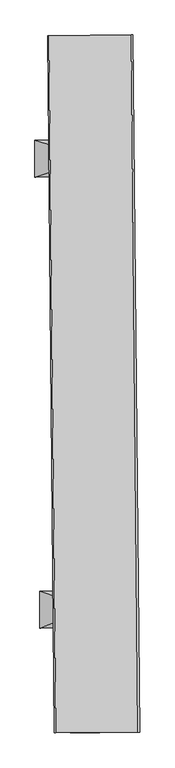
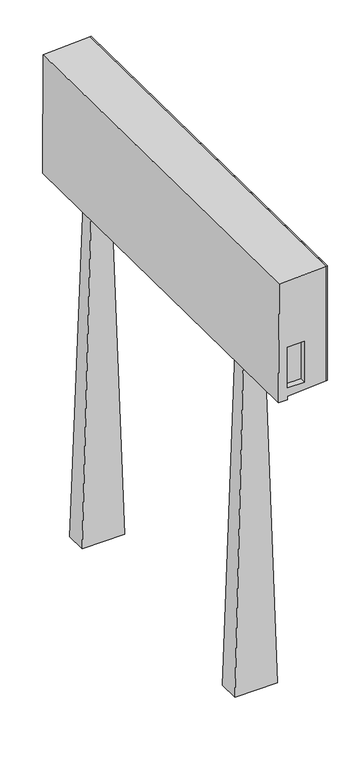
"""IFC4 building model written with IfcOpenShell, lengths in millimetres: proxy geometry."""

from ifc_helpers import new_model, si_unit, frame, origin, place, context, project, spatial, polyline, outline, extrude, faceted_brep, source, transform, mapped, element, save


def generic_models_3430a6ff(model_context):
    return source(origin(), model_context, "Body", "SolidModel", [
        extrude(outline(polyline([(-135389.3273632, 61542.0392085), (-135206.8030486, 42996.6832624), (-135255.9990259, 42996.1990731), (-135438.5233405, 61541.5550193), (-135389.3273632, 61542.0392085)])), frame((0.0, 0.0, 13768.0), z_axis=(0.0, 0.0, 1.0), x_axis=(1.0, 0.0, 0.0)), (0.0, 0.0, 1.0), 5585.8285556),
        extrude(outline(polyline([(-136271.3291346, 43263.7776374), (-137064.3547926, 43255.9726395), (-137064.6545299, 43286.4273997), (-136271.6288718, 43294.2323976), (-136271.3291346, 43263.7776374)])), frame((0.0, 0.0, 14064.8403987), z_axis=(0.0, 0.0, 1.0), x_axis=(1.0, 0.0, 0.0)), (0.0, 0.0, 1.0), 1991.1596013),
        faceted_brep([(-137475.8455637, 42974.3512332, 13495.6058115), (-137055.8659041, 42978.4846939, 13495.6058115), (-137055.8659041, 42978.4846939, 13655.6058115), (-135255.9990259, 42996.1990731, 13768.0), (-135255.9990259, 42996.1990731, 19353.8285556), (-137441.2124034, 42974.6920945, 19239.3008287), (-136268.5975267, 42986.2330284, 16056.0), (-136268.5975267, 42986.2330284, 14064.8403987), (-137061.6231848, 42978.4280304, 14064.8403987), (-137061.6231848, 42978.4280304, 16056.0), (-137658.3698783, 61519.7071794, 13495.6058115), (-137623.736718, 61520.0480406, 19239.3008287), (-135438.5233405, 61541.5550193, 19353.8285556), (-135438.5233405, 61541.5550193, 13768.0), (-137238.3902187, 61523.84064, 13655.6058115), (-137238.3902187, 61523.84064, 13495.6058115), (-137175.45363, 43285.3369094, 14064.8403987), (-137146.0036119, 43285.626758, 18948.9434097), (-135559.0158422, 43301.2459704, 19032.1179426), (-135559.0158422, 43301.2459704, 14064.8403987), (-136271.6288718, 43294.2323976, 14064.8403987), (-136271.6288718, 43294.2323976, 16056.0), (-137064.6545299, 43286.4273997, 16056.0), (-137064.6545299, 43286.4273997, 14064.8403987), (-137351.7324267, 61196.1179279, 14064.8403987), (-135735.2946388, 61212.026989, 14064.8403987), (-135735.2946388, 61212.026989, 19032.1179426), (-137322.2824085, 61196.4077765, 18948.9434097)], [[[0, 1, 2, 3, 4, 5], [6, 7, 8, 9]], [[10, 11, 12, 13, 14, 15]], [[1, 0, 10, 15]], [[2, 1, 15, 14]], [[3, 2, 14, 13]], [[4, 3, 13, 12]], [[5, 4, 12, 11]], [[0, 5, 11, 10]], [[16, 17, 18, 19, 20, 21, 22, 23]], [[24, 25, 26, 27]], [[25, 24, 16, 23, 8, 7, 20, 19]], [[19, 18, 26, 25]], [[18, 17, 27, 26]], [[17, 16, 24, 27]], [[6, 21, 20, 7]], [[8, 23, 22, 9]], [[21, 6, 9, 22]]]),
        faceted_brep([(-137482.2126613, 58581.905313, 13764.8403987), (-137482.2126613, 57931.8414639, 13764.8403987), (-135442.7977552, 57962.103347, 13764.8403987), (-135452.4416122, 58612.0240956, 13764.8403987), (-137482.2126613, 58581.905313, 13452.7544314), (-136532.3227339, 58596.0002663, 13452.7544314), (-136522.6788769, 57946.0795177, 13452.7544314), (-137482.2126613, 57931.8414639, 13452.7544314)], [[[0, 1, 2, 3]], [[4, 5, 6, 7]], [[4, 7, 1, 0]], [[7, 6, 2, 1]], [[6, 5, 3, 2]], [[5, 4, 0, 3]]]),
        faceted_brep([(-137390.0649453, 46590.1775298, 13792.4496973), (-137390.0649453, 45940.1136807, 13792.4496973), (-135355.6423343, 45970.3014856, 13792.4496973), (-135365.2861913, 46620.2222342, 13792.4496973), (-137390.0649453, 46590.1775298, 13478.5915206), (-136390.1750178, 46605.0144088, 13478.5915206), (-136380.5311608, 45955.0936602, 13478.5915206), (-137390.0649453, 45940.1136807, 13478.5915206)], [[[0, 1, 2, 3]], [[4, 5, 6, 7]], [[4, 7, 1, 0]], [[7, 6, 2, 1]], [[6, 5, 3, 2]], [[5, 4, 0, 3]]]),
        faceted_brep([(-137482.2126613, 57931.8414639, 13699.8170724), (-136522.6788769, 57946.0795177, 13699.8170724), (-136532.3227339, 58596.0002663, 13699.8170724), (-137482.2126613, 58581.905313, 13699.8170724), (-137995.5723666, 57764.0513658, -2420.5), (-137995.5723666, 58744.0513658, -2420.5), (-136037.8803341, 58773.1006031, -2420.5), (-136023.3417931, 57793.3163334, -2420.5)], [[[0, 1, 2, 3]], [[4, 5, 6, 7]], [[4, 7, 1, 0]], [[7, 6, 2, 1]], [[6, 5, 3, 2]], [[5, 4, 0, 3]]]),
        faceted_brep([(-137390.0649453, 45940.1136807, 13699.8170724), (-136380.5311608, 45955.0936602, 13699.8170724), (-136390.1750178, 46605.0144088, 13699.8170724), (-137390.0649453, 46590.1775298, 13699.8170724), (-137873.4246506, 45763.0655083, -2420.5), (-137873.4246506, 46743.0655083, -2420.5), (-135915.732618, 46772.1147456, -2420.5), (-135901.1940771, 45792.3304759, -2420.5)], [[[0, 1, 2, 3]], [[4, 5, 6, 7]], [[4, 7, 1, 0]], [[7, 6, 2, 1]], [[6, 5, 3, 2]], [[5, 4, 0, 3]]]),
    ])


if __name__ == "__main__":
    model = new_model("IFC4")
    model_context = context("Model", 3, world=origin())
    ifc_project = project(units=[si_unit("LENGTHUNIT", "METRE", prefix="MILLI")], contexts=[model_context])
    site = spatial("IfcSite", under=ifc_project)
    building = spatial("IfcBuilding", under=site)
    placement = place(None, origin())
    generic_models_shape = generic_models_3430a6ff(model_context)
    element("IfcBuildingElementProxy", 1, Name="Generic Models", at=placement, inside=building, context=model_context, shape_type="MappedRepresentation", body=[
        mapped(generic_models_shape, transform((0.0, 0.0, 0.0), x_axis=(1.0, 0.0, 0.0), y_axis=(0.0, 1.0, 0.0), z_axis=(0.0, 0.0, 1.0))),
    ])
    save(model, "model.ifc")
